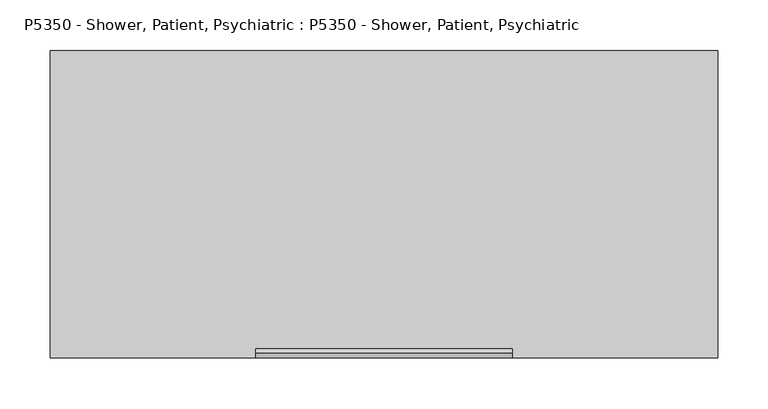
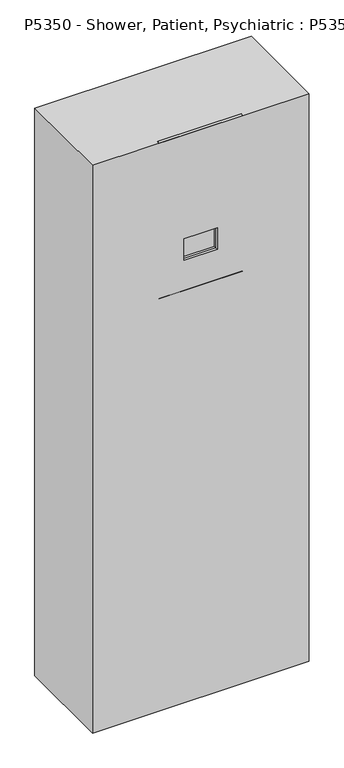
"""IFC4 building model written with IfcOpenShell, lengths in millimetres: proxy geometry, P5350 - Shower, Patient, Psychiatric : P5350 - Shower, Patient, Psychiatric."""

from ifc_helpers import new_model, si_unit, point, frame, frame_2d, origin, origin_2d, place, context, project, spatial, polyline, circle_curve, trimmed, segment, composite_curve, outline, extrude, faceted_brep, source, transform, mapped, element, save


def p5350_shower_patient_psychiatric_p5350_shower_patient_bfdd892f(model_context):
    return source(origin(), model_context, "Body", "SolidModel", [
        faceted_brep([(-50.8, 77.2427561, 1495.0398079), (-50.8, 70.8927561, 1495.0398079), (-50.8, 70.8927561, 1425.1898079), (-50.8, 77.2427561, 1425.1898079), (50.8, 70.8927561, 1425.1898079), (50.8, 77.2427561, 1425.1898079), (50.8, 70.8927561, 1495.0398079), (50.8, 77.2427561, 1495.0398079), (0.0, 70.8927561, 1495.0398079), (0.0, 77.2427561, 1495.0398079), (-127.0, 61.9125, 1828.8), (127.0, 61.9125, 1828.8), (127.0, 66.4026281, 1833.2901281), (-127.0, 66.4026281, 1833.2901281), (127.0, 70.8927561, 1819.8197439), (127.0, 70.8927561, 1337.2197439), (127.0, 61.9125, 1328.2394878), (127.0, 66.4026281, 1323.7493597), (127.0, 77.2427561, 1334.5894878), (127.0, 77.2427561, 1822.45), (-127.0, 77.2427561, 1822.45), (-127.0, 77.2427561, 1334.5894878), (-127.0, 66.4026281, 1323.7493597), (-127.0, 61.9125, 1328.2394878), (-127.0, 70.8927561, 1337.2197439), (-127.0, 70.8927561, 1819.8197439)], [[[0, 1, 2, 3]], [[3, 2, 4, 5]], [[5, 4, 6, 7]], [[7, 6, 8, 9]], [[1, 0, 9, 8]], [[10, 11, 12, 13]], [[12, 11, 14, 15, 16, 17, 18, 19]], [[13, 12, 19, 20]], [[10, 13, 20, 21, 22, 23, 24, 25]], [[11, 10, 25, 14]], [[19, 18, 21, 20], [0, 3, 5, 7, 9]], [[15, 14, 25, 24], [2, 1, 8, 6, 4]], [[17, 16, 23, 22]], [[18, 17, 22, 21]], [[16, 15, 24, 23]]]),
        faceted_brep([(330.2, 366.7125, 1828.8), (-330.2, 366.7125, 1828.8), (-330.2, 61.9125, 1828.8), (330.2, 61.9125, 1828.8), (330.2, 366.7125, 0.0), (330.2, 61.9125, 0.0), (-330.2, 61.9125, 0.0), (-330.2, 366.7125, 0.0), (-50.8, 61.9125, 1425.1898079), (-50.8, 61.9125, 1495.0398079), (0.0, 61.9125, 1495.0398079), (50.8, 61.9125, 1495.0398079), (50.8, 61.9125, 1425.1898079), (-50.8, 77.2427561, 1495.0398079), (-50.8, 77.2427561, 1425.1898079), (50.8, 77.2427561, 1425.1898079), (50.8, 77.2427561, 1495.0398079), (0.0, 77.2427561, 1495.0398079)], [[[0, 1, 2, 3]], [[4, 5, 6, 7]], [[1, 0, 4, 7]], [[2, 1, 7, 6]], [[3, 2, 6, 5], [8, 9, 10, 11, 12]], [[0, 3, 5, 4]], [[13, 14, 15, 16, 17]], [[14, 13, 9, 8]], [[15, 14, 8, 12]], [[16, 15, 12, 11]], [[17, 16, 11, 10]], [[13, 17, 10, 9]]]),
        extrude(outline(composite_curve([segment(polyline([(89.9427561, 1761.7398079), (89.9427561, 1794.2601921), (134.7779482, 1794.2601921)]), True, "CONTINUOUS"), segment(trimmed(circle_curve(frame_2d((125.2529482, 1784.7351921)), 13.4703842), [point((134.7779482, 1794.2601921))], [point((134.7779482, 1775.2101921))], False, "CARTESIAN"), True, "CONTINUOUS"), segment(polyline([(134.7779482, 1775.2101921), (121.307564, 1761.7398079), (89.9427561, 1761.7398079)]), True, "CONTINUOUS")], self_intersect=False)), frame((-13.1494155, 0.0, 0.0), z_axis=(1.0, 0.0, 0.0), x_axis=(0.0, 1.0, 0.0)), (0.0, 0.0, 1.0), 26.2988309),
        extrude(outline(composite_curve([segment(trimmed(circle_curve(origin_2d(), 9.525), [point((0.0, -9.525))], [point((0.0, 9.5249999))], False, "CARTESIAN"), True, "CONTINUOUS"), segment(trimmed(circle_curve(origin_2d(), 9.525), [point((0.0, 9.5249999))], [point((0.0, -9.525))], False, "CARTESIAN"), True, "CONTINUOUS")], self_intersect=False)), frame((0.0, 146.0032684, 1750.5144878), z_axis=(0.0, -0.7071067811865442, 0.7071067811865509), x_axis=(1.0, 0.0, 0.0)), (0.0, 0.0, 1.0), 25.4),
        extrude(outline(composite_curve([segment(trimmed(circle_curve(frame_2d((1778.0, 0.0)), 25.4), [point((1778.0, -25.4))], [point((1778.0, 25.4))], False, "CARTESIAN"), True, "CONTINUOUS"), segment(trimmed(circle_curve(frame_2d((1778.0, 0.0)), 25.4), [point((1778.0, 25.4))], [point((1778.0, -25.4))], False, "CARTESIAN"), True, "CONTINUOUS")], self_intersect=False)), frame((0.0, 91.5302561, 0.0), z_axis=(0.0, 1.0, 0.0), x_axis=(0.0, 0.0, 1.0)), (0.0, 0.0, 1.0), 12.7),
        extrude(outline(composite_curve([segment(trimmed(circle_curve(frame_2d((1580.5717074, 0.0)), 19.05), [point((1580.5717074, -19.05))], [point((1580.5717074, 19.05))], False, "CARTESIAN"), True, "CONTINUOUS"), segment(trimmed(circle_curve(frame_2d((1580.5717074, 0.0)), 19.05), [point((1580.5717074, 19.05))], [point((1580.5717074, -19.05))], False, "CARTESIAN"), True, "CONTINUOUS")], self_intersect=False)), frame((0.0, 91.5302561, 0.0), z_axis=(0.0, 1.0, 0.0), x_axis=(0.0, 0.0, 1.0)), (0.0, 0.0, 1.0), 12.7),
        extrude(outline(composite_curve([segment(trimmed(circle_curve(frame_2d((1580.5717074, 0.0)), 12.7), [point((1580.5717074, -12.7))], [point((1580.5717074, 12.7))], False, "CARTESIAN"), True, "CONTINUOUS"), segment(trimmed(circle_curve(frame_2d((1580.5717074, 0.0)), 12.7), [point((1580.5717074, 12.7))], [point((1580.5717074, -12.7))], False, "CARTESIAN"), True, "CONTINUOUS")], self_intersect=False)), frame((0.0, 104.2302561, 0.0), z_axis=(0.0, 1.0, 0.0), x_axis=(0.0, 0.0, 1.0)), (0.0, 0.0, 1.0), 15.3755691),
    ])


if __name__ == "__main__":
    model = new_model("IFC4")
    model_context = context("Model", 3, world=origin())
    ifc_project = project(units=[si_unit("LENGTHUNIT", "METRE", prefix="MILLI")], contexts=[model_context])
    site = spatial("IfcSite", under=ifc_project)
    building = spatial("IfcBuilding", under=site)
    placement = place(None, origin())
    p5350_shower_patient_psychiatric_p5350_shower_patient_shape = p5350_shower_patient_psychiatric_p5350_shower_patient_bfdd892f(model_context)
    element("IfcBuildingElementProxy", 1, Name="P5350 - Shower, Patient, Psychiatric : P5350 - Shower, Patient, Psychiatric", ObjectType="P5350 - Shower, Patient, Psychiatric : P5350 - Shower, Patient, Psychiatric", at=placement, inside=building, context=model_context, shape_type="MappedRepresentation", body=[
        mapped(p5350_shower_patient_psychiatric_p5350_shower_patient_shape, transform((0.0, 0.0, 0.0), x_axis=(1.0, 0.0, 0.0), y_axis=(0.0, 1.0, 0.0), z_axis=(0.0, 0.0, 1.0))),
    ])
    save(model, "model.ifc")
